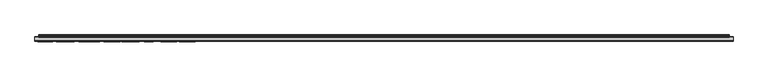
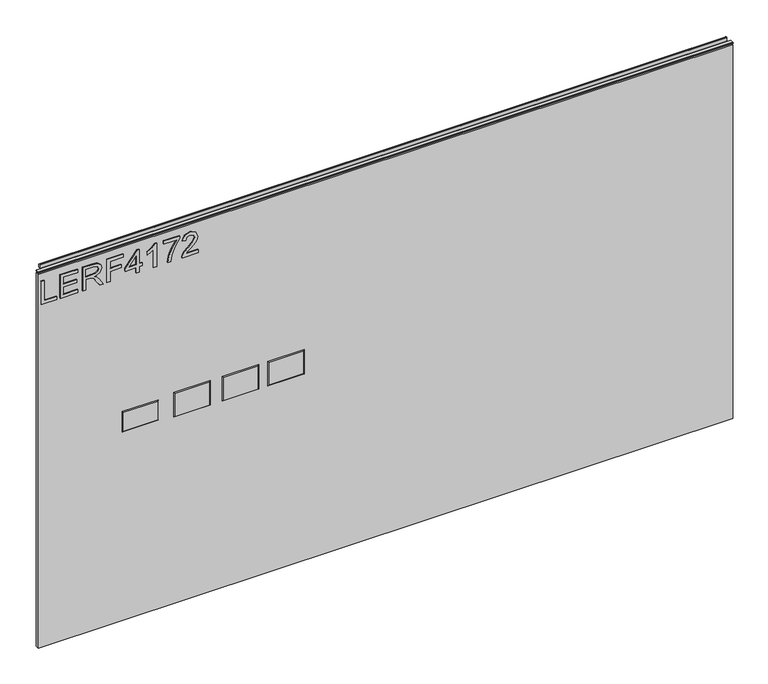
"""IFC4 building model written with IfcOpenShell, lengths in millimetres: furniture geometry."""

from ifc_helpers import new_model, si_unit, frame, origin, place, context, project, spatial, polyline, outline, extrude, faceted_brep, source, transform, mapped, element, save


def furniture_088dca6d(model_context):
    return source(origin(), model_context, "Body", "SolidModel", [
        extrude(outline(polyline([(1051.5276297, -291.2189953), (1051.5276297, -251.3503972), (1059.5013493, -251.3503972), (1059.5013493, -283.2452757), (1115.3173866, -283.2452757), (1115.3173866, -291.2189953), (1051.5276297, -291.2189953)])), frame((0.0, -5.5279467, 0.0), z_axis=(0.0, 1.0, 0.0), x_axis=(0.0, 0.0, 1.0)), (0.0, 0.0, 1.0), 2.38125),
        extrude(outline(polyline([(1051.5276297, -242.3799627), (1051.5276297, -195.5343599), (1059.5013493, -195.5343599), (1059.5013493, -234.4062431), (1080.4323633, -234.4062431), (1080.4323633, -198.5245048), (1088.4060829, -198.5245048), (1088.4060829, -234.4062431), (1107.343667, -234.4062431), (1107.343667, -196.5310749), (1115.3173866, -196.5310749), (1115.3173866, -242.3799627), (1051.5276297, -242.3799627)])), frame((0.0, -5.5279467, 0.0), z_axis=(0.0, 1.0, 0.0), x_axis=(0.0, 0.0, 1.0)), (0.0, 0.0, 1.0), 2.38125),
        extrude(outline(polyline([(1051.5276297, -183.5737805), (1051.5276297, -175.6000609), (1079.4356483, -175.6000609), (1079.4356483, -165.9755321), (1079.1553223, -161.3501518), (1077.6368893, -157.5579629), (1073.5020796, -153.3452848), (1064.7496765, -147.3494214), (1051.5276297, -139.0486547), (1051.5276297, -129.7823204), (1068.8144046, -140.4191378), (1077.0217293, -146.8822113), (1080.4323633, -151.4141496), (1086.365932, -138.0597266), (1097.8593013, -133.7380329), (1107.5071906, -136.3466228), (1113.596496, -143.3236275), (1115.3173866, -156.0862509), (1115.3173866, -183.5737805), (1051.5276297, -183.5737805)]), holes=[polyline([(1087.409368, -175.6000609), (1107.343667, -175.6000609), (1107.343667, -155.7436302), (1104.5871272, -145.0834523), (1097.5634015, -141.7117525), (1092.1515508, -143.4793642), (1088.5384591, -148.649823), (1087.409368, -157.7526338), (1087.409368, -175.6000609)])]), frame((0.0, -5.5279467, 0.0), z_axis=(0.0, 1.0, 0.0), x_axis=(0.0, 0.0, 1.0)), (0.0, 0.0, 1.0), 2.38125),
        extrude(outline(polyline([(1051.5276297, -119.7840235), (1051.5276297, -111.8103039), (1080.4323633, -111.8103039), (1080.4323633, -81.9088554), (1088.4060829, -81.9088554), (1088.4060829, -111.8103039), (1107.343667, -111.8103039), (1107.343667, -76.9252806), (1115.3173866, -76.9252806), (1115.3173866, -119.7840235), (1051.5276297, -119.7840235)])), frame((0.0, -5.5279467, 0.0), z_axis=(0.0, 1.0, 0.0), x_axis=(0.0, 0.0, 1.0)), (0.0, 0.0, 1.0), 2.38125),
        extrude(outline(polyline([(1051.5276297, -43.0369722), (1051.5276297, -35.0632526), (1066.478354, -35.0632526), (1066.478354, -27.089533), (1074.4520736, -27.089533), (1074.4520736, -35.0632526), (1114.3206717, -35.0632526), (1114.3206717, -41.0435423), (1074.4520736, -71.9417058), (1066.478354, -71.9417058), (1066.478354, -43.0369722), (1051.5276297, -43.0369722)]), holes=[polyline([(1074.4520736, -43.0369722), (1074.4520736, -62.130293), (1099.0896213, -43.0369722), (1074.4520736, -43.0369722)])]), frame((0.0, -5.5279467, 0.0), z_axis=(0.0, 1.0, 0.0), x_axis=(0.0, 0.0, 1.0)), (0.0, 0.0, 1.0), 2.38125),
        extrude(outline(polyline([(1051.5276297, 9.7889203), (1115.3173866, 9.7889203), (1115.3173866, 4.6496088), (1106.8297359, -2.4441984), (1099.3699474, -14.1322386), (1091.8322906, -14.1322386), (1095.8580845, -5.7380299), (1101.2387879, 1.8152006), (1051.5276297, 1.8152006), (1051.5276297, 9.7889203)])), frame((0.0, -5.5279467, 0.0), z_axis=(0.0, 1.0, 0.0), x_axis=(0.0, 0.0, 1.0)), (0.0, 0.0, 1.0), 2.38125),
        extrude(outline(polyline([(1106.3469521, 28.7265043), (1106.3469521, 62.6148127), (1089.8466475, 50.5607913), (1069.5152198, 41.8628959), (1051.5276297, 38.6936539), (1051.5276297, 46.6673735), (1068.8611256, 49.626371), (1090.7187731, 58.7136081), (1107.8731718, 70.5885323), (1114.3206717, 70.5885323), (1114.3206717, 28.7265043), (1106.3469521, 28.7265043)])), frame((0.0, -5.5279467, 0.0), z_axis=(0.0, 1.0, 0.0), x_axis=(0.0, 0.0, 1.0)), (0.0, 0.0, 1.0), 2.38125),
        extrude(outline(polyline([(1059.5013493, 118.43085), (1059.5013493, 87.1121974), (1063.5582906, 90.7097154), (1071.2283237, 99.8826077), (1082.153254, 111.3058955), (1089.9712369, 116.016931), (1097.5322542, 117.4341351), (1110.2092225, 112.1780211), (1115.3173866, 97.9047515), (1110.7231536, 83.6782029), (1097.3765175, 77.565537), (1096.3798025, 85.5392566), (1104.4313905, 88.8953828), (1107.343667, 97.7334411), (1104.361309, 106.213305), (1097.0494704, 109.4604155), (1088.0167411, 106.0186342), (1074.7323997, 92.2515089), (1065.4894258, 82.2687857), (1057.0251356, 77.425374), (1051.5276297, 76.5688221), (1051.5276297, 118.43085), (1059.5013493, 118.43085)])), frame((0.0, -5.5279467, 0.0), z_axis=(0.0, 1.0, 0.0), x_axis=(0.0, 0.0, 1.0)), (0.0, 0.0, 1.0), 2.38125),
        faceted_brep([(395.1398625, -5.2069939, 682.5742), (304.4618625, -5.2069939, 682.5742), (304.4618625, -5.2069939, 619.5822), (395.1398625, -5.2069939, 619.5822), (397.4258625, -3.1749939, 684.8602), (397.4258625, -3.1749939, 617.2962), (302.1758625, -3.1749939, 617.2962), (302.1758625, -3.1749939, 684.8602)], [[[0, 1, 2, 3]], [[4, 5, 6, 7]], [[4, 7, 1, 0]], [[7, 6, 2, 1]], [[6, 5, 3, 2]], [[5, 4, 0, 3]]]),
        faceted_brep([(276.3821625, -5.2069939, 682.5742), (185.7041625, -5.2069939, 682.5742), (185.7041625, -5.2069939, 619.5822), (276.3821625, -5.2069939, 619.5822), (278.6681625, -3.1749939, 684.8602), (278.6681625, -3.1749939, 617.2962), (183.4181625, -3.1749939, 617.2962), (183.4181625, -3.1749939, 684.8602)], [[[0, 1, 2, 3]], [[4, 5, 6, 7]], [[4, 7, 1, 0]], [[7, 6, 2, 1]], [[6, 5, 3, 2]], [[5, 4, 0, 3]]]),
        faceted_brep([(149.3821625, -5.2069939, 682.5742), (58.7041625, -5.2069939, 682.5742), (58.7041625, -5.2069939, 619.5822), (149.3821625, -5.2069939, 619.5822), (151.6681625, -3.1749939, 684.8602), (151.6681625, -3.1749939, 617.2962), (56.4181625, -3.1749939, 617.2962), (56.4181625, -3.1749939, 684.8602)], [[[0, 1, 2, 3]], [[4, 5, 6, 7]], [[4, 7, 1, 0]], [[7, 6, 2, 1]], [[6, 5, 3, 2]], [[5, 4, 0, 3]]]),
        faceted_brep([(13.1365625, -5.2069939, 677.1132), (-76.5254375, -5.2069939, 677.1132), (-76.5254375, -5.2069939, 625.0432), (13.1365625, -5.2069939, 625.0432), (15.4225625, -3.1749939, 679.3992), (15.4225625, -3.1749939, 622.7572), (-78.8114375, -3.1749939, 622.7572), (-78.8114375, -3.1749939, 679.3992)], [[[0, 1, 2, 3]], [[4, 5, 6, 7]], [[4, 7, 1, 0]], [[7, 6, 2, 1]], [[6, 5, 3, 2]], [[5, 4, 0, 3]]]),
        extrude(outline(polyline([(-298.196, 6.3500061), (1516.888, 6.3500061), (1516.888, -3.1749939), (-298.196, -3.1749939), (-298.196, 6.3500061)])), frame((0.0, 0.0, 101.6), z_axis=(0.0, 0.0, 1.0), x_axis=(1.0, 0.0, 0.0)), (0.0, 0.0, 1.0), 1033.9578),
        extrude(outline(polyline([(5.5562561, 1143.0), (6.3500061, 1143.0), (6.3500061, 1152.87425), (7.1437561, 1153.668), (8.6677569, 1153.668), (10.0084363, 1153.2506926), (10.875413, 1152.1461816), (10.9623604, 1150.7447591), (10.2390011, 1147.7863459), (10.4046103, 1146.5833307), (11.6746103, 1144.3836103), (10.7786383, 1143.8663244), (7.1437561, 1143.8663244), (7.1437561, 1143.0), (6.3500061, 1142.7669239), (6.3500061, 1135.5578), (5.5562561, 1135.5578), (5.5562561, 1143.0)])), frame((-288.671, 0.0, 0.0), z_axis=(1.0, 0.0, 0.0), x_axis=(0.0, 1.0, 0.0)), (0.0, 0.0, 1.0), 1796.034),
        extrude(outline(polyline([(5.5562561, 1143.0), (5.5562561, 1139.8249996), (-3.975094, 1139.8249996), (-5.3492339, 1140.6183657), (-5.3492339, 1142.2066395), (-3.9751037, 1143.0), (5.5562561, 1143.0)])), frame((-298.196, 0.0, 0.0), z_axis=(1.0, 0.0, 0.0), x_axis=(0.0, 1.0, 0.0)), (0.0, 0.0, 1.0), 1815.084),
    ])


if __name__ == "__main__":
    model = new_model("IFC4")
    model_context = context("Model", 3, world=origin())
    ifc_project = project(units=[si_unit("LENGTHUNIT", "METRE", prefix="MILLI")], contexts=[model_context])
    site = spatial("IfcSite", under=ifc_project)
    building = spatial("IfcBuilding", under=site)
    placement = place(None, origin())
    furniture_shape = furniture_088dca6d(model_context)
    element("IfcFurniture", 1, at=placement, inside=building, context=model_context, shape_type="MappedRepresentation", body=[
        mapped(furniture_shape, transform((0.0, 0.0, 0.0), x_axis=(1.0, 0.0, 0.0), y_axis=(0.0, 1.0, 0.0), z_axis=(0.0, 0.0, 1.0))),
    ])
    save(model, "model.ifc")
